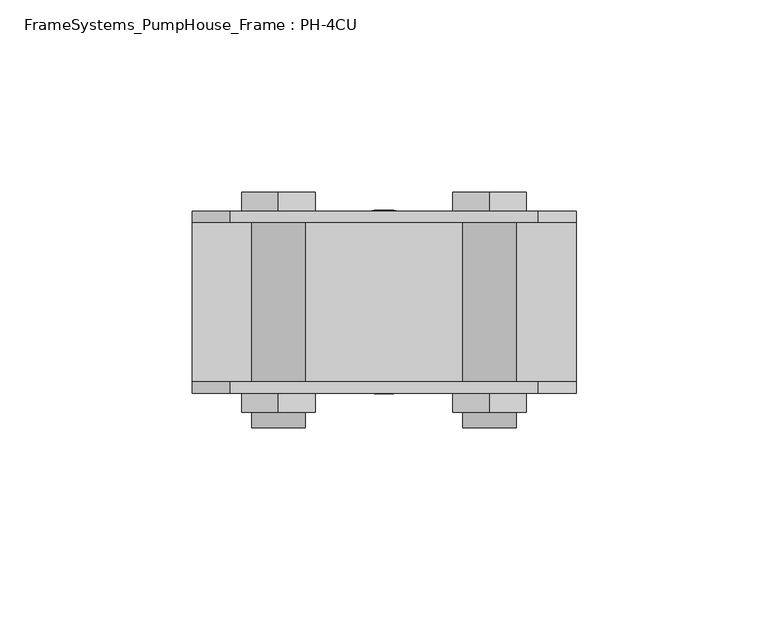
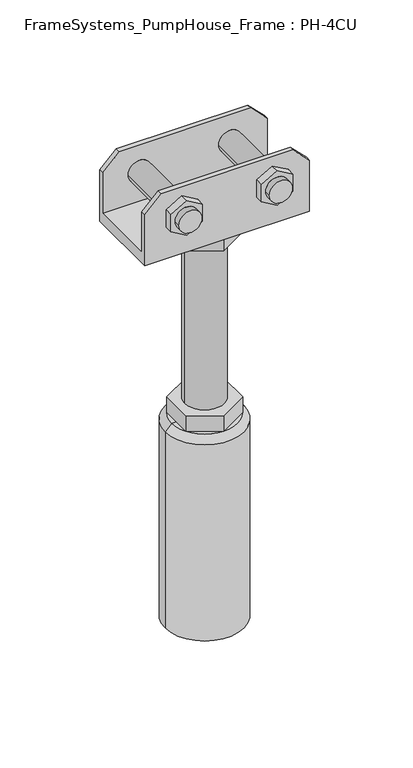
"""IFC4 building model written with IfcOpenShell, lengths in millimetres: beam geometry, FrameSystems_PumpHouse_Frame : PH-4CU."""

from ifc_helpers import new_model, si_unit, frame, origin, place, context, project, spatial, polyline, circle_curve, source, transform, mapped, element, save
from ifc_brep_helpers import plane_surface, cylinder_surface, revolved_surface, advanced_brep


def framesystems_pumphouse_frame_ph_4cu_35eb7057(model_context):
    return source(origin(), model_context, "Body", "AdvancedBrep", [
        advanced_brep(
        [(1240.0, -20.75, 316.0), (1250.0, -20.75, 306.0), (1250.0, -20.75, 280.0), (1150.0, -20.75, 280.0), (1150.0, -20.75, 306.0), (1160.0, -20.75, 316.0), (1234.5, -20.75, 299.0), (1220.5, -20.75, 299.0), (1179.5, -20.75, 299.0), (1165.5, -20.75, 299.0), (1240.0, -23.75, 316.0), (1160.0, -23.75, 316.0), (1150.0, -23.75, 306.0), (1150.0, -23.75, 273.0), (1250.0, -23.75, 273.0), (1250.0, -23.75, 306.0), (1217.9194511, -23.75, 293.4686675), (1217.9194511, -23.75, 304.5313325), (1227.5, -23.75, 310.062665), (1237.0805489, -23.75, 304.5313325), (1237.0805489, -23.75, 293.4686675), (1227.5, -23.75, 287.937335), (1162.9194511, -23.75, 293.4686675), (1162.9194511, -23.75, 304.5313325), (1172.5, -23.75, 310.062665), (1182.0805489, -23.75, 304.5313325), (1182.0805489, -23.75, 293.4686675), (1172.5, -23.75, 287.937335), (1240.0, 23.653247, 316.0), (1250.0, 23.653247, 306.0), (1250.0, 23.653247, 273.0), (1150.0, 23.653247, 273.0), (1150.0, 23.653247, 306.0), (1160.0, 23.653247, 316.0), (1237.0805489, 23.653247, 304.5313325), (1227.5, 23.653247, 310.062665), (1217.9194511, 23.653247, 304.5313325), (1217.9194511, 23.653247, 293.4686675), (1227.5, 23.653247, 287.937335), (1237.0805489, 23.653247, 293.4686675), (1182.0805489, 23.653247, 304.5313325), (1172.5, 23.653247, 310.062665), (1162.9194511, 23.653247, 304.5313325), (1162.9194511, 23.653247, 293.4686675), (1172.5, 23.653247, 287.937335), (1182.0805489, 23.653247, 293.4686675), (1150.0, 20.75, 280.0), (1150.0, 20.75, 306.0), (1250.0, 20.75, 280.0), (1250.0, 20.75, 306.0), (1240.0, 20.75, 316.0), (1160.0, 20.75, 316.0), (1220.5, 20.75, 299.0), (1234.5, 20.75, 299.0), (1165.5, 20.75, 299.0), (1179.5, 20.75, 299.0), (1182.6794919, 10.0, 273.0), (1182.6794919, -10.0, 273.0), (1200.0, -20.0, 273.0), (1217.3205081, -10.0, 273.0), (1217.3205081, 10.0, 273.0), (1200.0, 20.0, 273.0), (1220.5, -32.6948906, 299.0), (1234.5, -32.6948906, 299.0), (1165.5, -32.6948906, 299.0), (1179.5, -32.6948906, 299.0), (1234.5, -28.75, 299.0), (1220.5, -28.75, 299.0), (1179.5, -28.75, 299.0), (1165.5, -28.75, 299.0), (1227.5, 28.653247, 310.062665), (1237.0805489, 28.653247, 304.5313325), (1237.0805489, 28.653247, 293.4686675), (1227.5, 28.653247, 287.937335), (1217.9194511, 28.653247, 293.4686675), (1217.9194511, 28.653247, 304.5313325), (1172.5, 28.653247, 310.062665), (1182.0805489, 28.653247, 304.5313325), (1182.0805489, 28.653247, 293.4686675), (1172.5, 28.653247, 287.937335), (1162.9194511, 28.653247, 293.4686675), (1162.9194511, 28.653247, 304.5313325), (1188.0, 0.0, 263.0), (1188.0, 0.0, 157.0), (1212.0, 0.0, 157.0), (1212.0, 0.0, 263.0), (1182.6794919, 10.0, 263.0), (1200.0, 20.0, 263.0), (1217.3205081, 10.0, 263.0), (1217.3205081, -10.0, 263.0), (1200.0, -20.0, 263.0), (1182.6794919, -10.0, 263.0), (1182.6794919, 10.0, 157.0), (1182.6794919, -10.0, 157.0), (1200.0, -20.0, 157.0), (1217.3205081, -10.0, 157.0), (1217.3205081, 10.0, 157.0), (1200.0, 20.0, 157.0), (1182.6794919, 10.0, 147.0), (1182.6794919, 0.0, 147.0), (1182.6794919, -10.0, 147.0), (1200.0, -20.0, 147.0), (1217.3205081, -10.0, 147.0), (1217.3205081, 0.0, 147.0), (1217.3205081, 10.0, 147.0), (1200.0, 20.0, 147.0), (1180.0, 0.0, 147.0), (1220.0, 0.0, 147.0), (1224.0, 0.0, 143.0), (1176.0, 0.0, 143.0), (1224.0, 0.0, 17.0), (1176.0, 0.0, 17.0), (1200.0, 0.0, 17.0), (1217.9194511, -28.75, 304.5313325), (1217.9194511, -28.75, 293.4686675), (1227.5, -28.75, 287.937335), (1237.0805489, -28.75, 293.4686675), (1237.0805489, -28.75, 304.5313325), (1227.5, -28.75, 310.062665), (1162.9194511, -28.75, 304.5313325), (1162.9194511, -28.75, 293.4686675), (1172.5, -28.75, 287.937335), (1182.0805489, -28.75, 293.4686675), (1182.0805489, -28.75, 304.5313325), (1172.5, -28.75, 310.062665)],
        [
            (0, 1),
            (1, 2),
            (2, 3),
            (3, 4),
            (4, 5),
            (5, 0),
            (6, 7, circle_curve(frame((1227.5, -20.75, 299.0), z_axis=(0.0, -1.0, 0.0), x_axis=(-1.0, 0.0, 0.0)), 7.0)),
            (7, 6, circle_curve(frame((1227.5, -20.75, 299.0), z_axis=(0.0, -1.0, 0.0), x_axis=(-1.0, 0.0, 0.0)), 7.0)),
            (8, 9, circle_curve(frame((1172.5, -20.75, 299.0), z_axis=(0.0, -1.0, 0.0), x_axis=(-1.0, 0.0, 0.0)), 7.0)),
            (9, 8, circle_curve(frame((1172.5, -20.75, 299.0), z_axis=(0.0, -1.0, 0.0), x_axis=(-1.0, 0.0, 0.0)), 7.0)),
            (10, 11),
            (11, 12),
            (12, 13),
            (13, 14),
            (14, 15),
            (15, 10),
            (16, 17),
            (17, 18),
            (18, 19),
            (19, 20),
            (20, 21),
            (21, 16),
            (22, 23),
            (23, 24),
            (24, 25),
            (25, 26),
            (26, 27),
            (27, 22),
            (5, 11),
            (10, 0),
            (4, 12),
            (15, 1),
            (28, 29),
            (29, 30),
            (30, 31),
            (31, 32),
            (32, 33),
            (33, 28),
            (34, 35),
            (35, 36),
            (36, 37),
            (37, 38),
            (38, 39),
            (39, 34),
            (40, 41),
            (41, 42),
            (42, 43),
            (43, 44),
            (44, 45),
            (45, 40),
            (46, 47),
            (47, 32),
            (31, 13),
            (3, 46),
            (46, 48),
            (48, 49),
            (49, 50),
            (50, 51),
            (51, 47),
            (52, 53, circle_curve(frame((1227.5, 20.75, 299.0), z_axis=(0.0, 1.0, 0.0), x_axis=(-1.0, 0.0, 0.0)), 7.0)),
            (53, 52, circle_curve(frame((1227.5, 20.75, 299.0), z_axis=(0.0, 1.0, 0.0), x_axis=(-1.0, 0.0, 0.0)), 7.0)),
            (54, 55, circle_curve(frame((1172.5, 20.75, 299.0), z_axis=(0.0, 1.0, 0.0), x_axis=(-1.0, 0.0, 0.0)), 7.0)),
            (55, 54, circle_curve(frame((1172.5, 20.75, 299.0), z_axis=(0.0, 1.0, 0.0), x_axis=(-1.0, 0.0, 0.0)), 7.0)),
            (48, 2),
            (14, 30),
            (29, 49),
            (50, 28),
            (33, 51),
            (56, 57),
            (57, 58),
            (58, 59),
            (59, 60),
            (60, 61),
            (61, 56),
            (62, 63, circle_curve(frame((1227.5, -32.6948906, 299.0), z_axis=(0.0, -1.0, 0.0), x_axis=(-1.0, 0.0, 0.0)), 7.0)),
            (63, 62, circle_curve(frame((1227.5, -32.6948906, 299.0), z_axis=(0.0, -1.0, 0.0), x_axis=(-1.0, 0.0, 0.0)), 7.0)),
            (64, 65, circle_curve(frame((1172.5, -32.6948906, 299.0), z_axis=(0.0, -1.0, 0.0), x_axis=(-1.0, 0.0, 0.0)), 7.0)),
            (65, 64, circle_curve(frame((1172.5, -32.6948906, 299.0), z_axis=(0.0, -1.0, 0.0), x_axis=(-1.0, 0.0, 0.0)), 7.0)),
            (63, 66),
            (66, 67, circle_curve(frame((1227.5, -28.75, 299.0), z_axis=(0.0, -1.0, 0.0), x_axis=(-1.0, 0.0, 0.0)), 7.0)),
            (67, 62),
            (6, 53),
            (52, 7),
            (67, 66, circle_curve(frame((1227.5, -28.75, 299.0), z_axis=(0.0, -1.0, 0.0), x_axis=(-1.0, 0.0, 0.0)), 7.0)),
            (65, 68),
            (68, 69, circle_curve(frame((1172.5, -28.75, 299.0), z_axis=(0.0, -1.0, 0.0), x_axis=(-1.0, 0.0, 0.0)), 7.0)),
            (69, 64),
            (8, 55),
            (54, 9),
            (69, 68, circle_curve(frame((1172.5, -28.75, 299.0), z_axis=(0.0, -1.0, 0.0), x_axis=(-1.0, 0.0, 0.0)), 7.0)),
            (70, 71),
            (71, 72),
            (72, 73),
            (73, 74),
            (74, 75),
            (75, 70),
            (76, 77),
            (77, 78),
            (78, 79),
            (79, 80),
            (80, 81),
            (81, 76),
            (70, 35),
            (34, 71),
            (39, 72),
            (38, 73),
            (37, 74),
            (36, 75),
            (76, 41),
            (40, 77),
            (45, 78),
            (44, 79),
            (43, 80),
            (42, 81),
            (82, 83),
            (83, 84, circle_curve(frame((1200.0, 0.0, 157.0), z_axis=(0.0, 0.0, 1.0), x_axis=(1.0, 0.0, 0.0)), 12.0)),
            (84, 85),
            (85, 82, circle_curve(frame((1200.0, 0.0, 263.0), z_axis=(0.0, 0.0, -1.0), x_axis=(1.0, 0.0, 0.0)), 12.0)),
            (82, 85, circle_curve(frame((1200.0, 0.0, 263.0), z_axis=(0.0, 0.0, -1.0), x_axis=(1.0, 0.0, 0.0)), 12.0)),
            (84, 83, circle_curve(frame((1200.0, 0.0, 157.0), z_axis=(0.0, 0.0, 1.0), x_axis=(1.0, 0.0, 0.0)), 12.0)),
            (86, 87),
            (87, 88),
            (88, 89),
            (89, 90),
            (90, 91),
            (91, 86),
            (91, 57),
            (56, 86),
            (90, 58),
            (89, 59),
            (88, 60),
            (87, 61),
            (92, 93),
            (93, 94),
            (94, 95),
            (95, 96),
            (96, 97),
            (97, 92),
            (92, 98),
            (98, 99),
            (99, 100),
            (100, 93),
            (100, 101),
            (101, 94),
            (101, 102),
            (102, 95),
            (102, 103),
            (103, 104),
            (104, 96),
            (104, 105),
            (105, 97),
            (105, 98),
            (98, 106, circle_curve(frame((1200.0, 0.0, 147.0), z_axis=(0.0, 0.0, 1.0), x_axis=(-1.0, 0.0, 0.0)), 20.0)),
            (106, 99),
            (105, 98, circle_curve(frame((1200.0, 0.0, 147.0), z_axis=(0.0, 0.0, 1.0), x_axis=(-1.0, 0.0, 0.0)), 20.0)),
            (104, 105, circle_curve(frame((1200.0, 0.0, 147.0), z_axis=(0.0, 0.0, 1.0), x_axis=(-1.0, 0.0, 0.0)), 20.0)),
            (107, 104, circle_curve(frame((1200.0, 0.0, 147.0), z_axis=(0.0, 0.0, 1.0), x_axis=(-1.0, 0.0, 0.0)), 20.0)),
            (103, 107),
            (102, 107, circle_curve(frame((1200.0, 0.0, 147.0), z_axis=(0.0, 0.0, 1.0), x_axis=(-1.0, 0.0, 0.0)), 20.0)),
            (101, 102, circle_curve(frame((1200.0, 0.0, 147.0), z_axis=(0.0, 0.0, 1.0), x_axis=(-1.0, 0.0, 0.0)), 20.0)),
            (100, 101, circle_curve(frame((1200.0, 0.0, 147.0), z_axis=(0.0, 0.0, 1.0), x_axis=(-1.0, 0.0, 0.0)), 20.0)),
            (106, 100, circle_curve(frame((1200.0, 0.0, 147.0), z_axis=(0.0, 0.0, 1.0), x_axis=(-1.0, 0.0, 0.0)), 20.0)),
            (108, 109, circle_curve(frame((1200.0, 0.0, 143.0), z_axis=(0.0, 0.0, 1.0), x_axis=(-1.0, 0.0, 0.0)), 24.0)),
            (109, 106),
            (107, 108),
            (109, 108, circle_curve(frame((1200.0, 0.0, 143.0), z_axis=(0.0, 0.0, 1.0), x_axis=(-1.0, 0.0, 0.0)), 24.0)),
            (108, 110),
            (110, 111, circle_curve(frame((1200.0, 0.0, 17.0), z_axis=(0.0, 0.0, 1.0), x_axis=(-1.0, 0.0, 0.0)), 24.0)),
            (111, 109),
            (111, 110, circle_curve(frame((1200.0, 0.0, 17.0), z_axis=(0.0, 0.0, 1.0), x_axis=(-1.0, 0.0, 0.0)), 24.0)),
            (110, 112),
            (112, 111),
            (113, 114),
            (114, 115),
            (115, 116),
            (116, 117),
            (117, 118),
            (118, 113),
            (113, 17),
            (16, 114),
            (21, 115),
            (20, 116),
            (19, 117),
            (18, 118),
            (119, 120),
            (120, 121),
            (121, 122),
            (122, 123),
            (123, 124),
            (124, 119),
            (119, 23),
            (22, 120),
            (27, 121),
            (26, 122),
            (25, 123),
            (24, 124),
        ],
        [
            plane_surface(frame((1184.0150941, -20.75, 316.0), z_axis=(0.0, 1.0, 0.0), x_axis=(1.0, 0.0, 0.0))),
            plane_surface(frame((1184.0150941, -23.75, 316.0), z_axis=(0.0, -1.0, 0.0), x_axis=(-1.0, 0.0, 0.0))),
            plane_surface(frame((1240.0, -23.75, 316.0), z_axis=(0.0, 0.0, 1.0), x_axis=(0.0, 1.0, 0.0))),
            plane_surface(frame((1160.0, -23.75, 316.0), z_axis=(-0.7071067811865467, 0.0, 0.7071067811865485), x_axis=(0.0, 1.0, 0.0))),
            plane_surface(frame((1250.0, -23.75, 306.0), z_axis=(0.7071067811865488, 0.0, 0.7071067811865464), x_axis=(0.0, 1.0, 0.0))),
            plane_surface(frame((1250.0, 23.653247, 306.0), z_axis=(0.0, 1.0, 0.0), x_axis=(0.0, 0.0, -1.0))),
            plane_surface(frame((1150.0, 23.653247, 306.0), z_axis=(-1.0, 0.0, 0.0), x_axis=(0.0, 0.0, -1.0))),
            plane_surface(frame((1150.0, 20.75, 306.0), z_axis=(0.0, -1.0, 0.0), x_axis=(0.0, 0.0, -1.0))),
            plane_surface(frame((1250.0, 20.75, 306.0), z_axis=(1.0, 0.0, 0.0), x_axis=(0.0, 0.0, -1.0))),
            plane_surface(frame((1160.0, 23.75, 316.0), z_axis=(0.0, 0.0, 1.0), x_axis=(0.0, -1.0, 0.0))),
            plane_surface(frame((1150.0, 23.75, 306.0), z_axis=(-0.7071067811865467, 0.0, 0.7071067811865485), x_axis=(0.0, -1.0, 0.0))),
            plane_surface(frame((1240.0, 23.75, 316.0), z_axis=(0.7071067811865493, 0.0, 0.7071067811865457), x_axis=(0.0, -1.0, 0.0))),
            plane_surface(frame((1200.0, 23.75, 280.0), z_axis=(0.0, 0.0, 1.0), x_axis=(-1.0, 0.0, 0.0))),
            plane_surface(frame((1200.0, 23.75, 273.0), z_axis=(0.0, 0.0, -1.0), x_axis=(1.0, 0.0, 0.0))),
            plane_surface(frame((1220.5, -32.6948906, 299.0), z_axis=(0.0, -1.0, 0.0), x_axis=(0.0, 0.0, -1.0))),
            cylinder_surface(frame((1227.5, -32.6948906, 299.0), z_axis=(0.0, 1.0, 0.0), x_axis=(-1.0, 0.0, 0.0)), 7.0),
            cylinder_surface(frame((1172.5, 23.653247, 299.0), z_axis=(0.0, 1.0, 0.0), x_axis=(-1.0, 0.0, 0.0)), 7.0),
            plane_surface(frame((1227.5, 28.653247, 310.062665), z_axis=(0.0, 1.0000000000000002, 0.0), x_axis=(0.8660254037844375, 0.0, -0.5000000000000022))),
            plane_surface(frame((1227.5, 28.653247, 310.062665), z_axis=(0.5000000000000022, 0.0, 0.8660254037844375), x_axis=(0.0, -1.0, 0.0))),
            plane_surface(frame((1237.0805489, 28.653247, 304.5313325), z_axis=(1.0, 0.0, 0.0), x_axis=(0.0, -1.0, 0.0))),
            plane_surface(frame((1237.0805489, 28.653247, 293.4686675), z_axis=(0.4999999999999969, 0.0, -0.8660254037844405), x_axis=(0.0, -1.0, 0.0))),
            plane_surface(frame((1227.5, 28.653247, 287.937335), z_axis=(-0.5000000000000034, 0.0, -0.8660254037844367), x_axis=(0.0, -1.0, 0.0))),
            plane_surface(frame((1217.9194511, 28.653247, 293.4686675), z_axis=(-1.0, 0.0, 0.0), x_axis=(0.0, -1.0, 0.0))),
            plane_surface(frame((1217.9194511, 28.653247, 304.5313325), z_axis=(-0.49999999999999684, 0.0, 0.8660254037844405), x_axis=(0.0, -1.0, 0.0))),
            plane_surface(frame((1172.5, 28.653247, 310.062665), z_axis=(0.5000000000000023, 0.0, 0.8660254037844374), x_axis=(0.0, -1.0, 0.0))),
            plane_surface(frame((1182.0805489, 28.653247, 304.5313325), z_axis=(1.0, 0.0, 0.0), x_axis=(0.0, -1.0, 0.0))),
            plane_surface(frame((1182.0805489, 28.653247, 293.4686675), z_axis=(0.4999999999999969, 0.0, -0.8660254037844405), x_axis=(0.0, -1.0, 0.0))),
            plane_surface(frame((1172.5, 28.653247, 287.937335), z_axis=(-0.5000000000000033, 0.0, -0.8660254037844368), x_axis=(0.0, -1.0, 0.0))),
            plane_surface(frame((1162.9194511, 28.653247, 293.4686675), z_axis=(-1.0, 0.0, 0.0), x_axis=(0.0, -1.0, 0.0))),
            plane_surface(frame((1162.9194511, 28.653247, 304.5313325), z_axis=(-0.4999999999999967, 0.0, 0.8660254037844405), x_axis=(0.0, -1.0, 0.0))),
            cylinder_surface(frame((1200.0, 0.0, 157.0), z_axis=(0.0, 0.0, 1.0), x_axis=(1.0, 0.0, 0.0)), 12.0),
            plane_surface(frame((1182.6794919, 10.0, 263.0), z_axis=(0.0, 0.0, -1.0), x_axis=(0.0, 1.0, 0.0))),
            plane_surface(frame((1182.6794919, 10.0, 273.0), z_axis=(-1.0, 0.0, 0.0), x_axis=(0.0, 0.0, -1.0))),
            plane_surface(frame((1182.6794919, -10.0, 273.0), z_axis=(-0.5000000000000034, -0.8660254037844367, 0.0), x_axis=(0.0, 0.0, -1.0))),
            plane_surface(frame((1200.0, -20.0, 273.0), z_axis=(0.4999999999999958, -0.8660254037844412, 0.0), x_axis=(0.0, 0.0, -1.0))),
            plane_surface(frame((1217.3205081, -10.0, 273.0), z_axis=(1.0, 0.0, 0.0), x_axis=(0.0, 0.0, -1.0))),
            plane_surface(frame((1217.3205081, 10.0, 273.0), z_axis=(0.5000000000000064, 0.866025403784435, 0.0), x_axis=(0.0, 0.0, -1.0))),
            plane_surface(frame((1200.0, 20.0, 273.0), z_axis=(-0.4999999999999984, 0.8660254037844396, 0.0), x_axis=(0.0, 0.0, -1.0))),
            plane_surface(frame((1182.6794919, 10.0, 157.0), z_axis=(0.0, 0.0, 1.0), x_axis=(0.0, -1.0, 0.0))),
            plane_surface(frame((1182.6794919, 10.0, 157.0), z_axis=(-1.0, 0.0, 0.0), x_axis=(0.0, 0.0, -1.0))),
            plane_surface(frame((1182.6794919, -10.0, 157.0), z_axis=(-0.5000000000000034, -0.8660254037844367, 0.0), x_axis=(0.0, 0.0, -1.0))),
            plane_surface(frame((1200.0, -20.0, 157.0), z_axis=(0.49999999999999545, -0.8660254037844413, 0.0), x_axis=(0.0, 0.0, -1.0))),
            plane_surface(frame((1217.3205081, -10.0, 157.0), z_axis=(1.0, 0.0, 0.0), x_axis=(0.0, 0.0, -1.0))),
            plane_surface(frame((1217.3205081, 10.0, 157.0), z_axis=(0.5000000000000064, 0.866025403784435, 0.0), x_axis=(0.0, 0.0, -1.0))),
            plane_surface(frame((1200.0, 20.0, 157.0), z_axis=(-0.49999999999999845, 0.8660254037844396, 0.0), x_axis=(0.0, 0.0, -1.0))),
            plane_surface(frame((1200.0, 0.0, 147.0), z_axis=(0.0, 0.0, 1.0), x_axis=(-1.0, 0.0, 0.0))),
            revolved_surface(polyline([(1180.0, 0.0, 147.0), (1176.0, 0.0, 143.0)]), (1200.0, 0.0, 172.0), (0.0, 0.0, -1.0)),
            cylinder_surface(frame((1200.0, 0.0, 172.0), z_axis=(0.0, 0.0, -1.0), x_axis=(-1.0, 0.0, 0.0)), 24.0),
            plane_surface(frame((1200.0, 0.0, 17.0), z_axis=(0.0, 0.0, -1.0), x_axis=(-1.0, 0.0, 0.0))),
            plane_surface(frame((1217.9194511, -28.75, 304.5313325), z_axis=(0.0, -1.0, 0.0), x_axis=(0.0, 0.0, -1.0))),
            plane_surface(frame((1217.9194511, -28.75, 304.5313325), z_axis=(-1.0, 0.0, 0.0), x_axis=(0.0, 1.0, 0.0))),
            plane_surface(frame((1217.9194511, -28.75, 293.4686675), z_axis=(-0.500000000000003, 0.0, -0.866025403784437), x_axis=(0.0, 1.0, 0.0))),
            plane_surface(frame((1227.5, -28.75, 287.937335), z_axis=(0.4999999999999972, 0.0, -0.8660254037844403), x_axis=(0.0, 1.0, 0.0))),
            plane_surface(frame((1237.0805489, -28.75, 293.4686675), z_axis=(1.0, 0.0, 0.0), x_axis=(0.0, 1.0, 0.0))),
            plane_surface(frame((1237.0805489, -28.75, 304.5313325), z_axis=(0.500000000000003, 0.0, 0.8660254037844369), x_axis=(0.0, 1.0, 0.0))),
            plane_surface(frame((1227.5, -28.75, 310.062665), z_axis=(-0.49999999999999617, 0.0, 0.8660254037844409), x_axis=(0.0, 1.0, 0.0))),
            plane_surface(frame((1162.9194511, -28.75, 304.5313325), z_axis=(0.0, -1.0, 0.0), x_axis=(0.0, 0.0, -1.0))),
            plane_surface(frame((1162.9194511, -28.75, 304.5313325), z_axis=(-1.0, 0.0, 0.0), x_axis=(0.0, 1.0, 0.0))),
            plane_surface(frame((1162.9194511, -28.75, 293.4686675), z_axis=(-0.5000000000000031, 0.0, -0.8660254037844368), x_axis=(0.0, 1.0, 0.0))),
            plane_surface(frame((1172.5, -28.75, 287.937335), z_axis=(0.49999999999999717, 0.0, -0.8660254037844404), x_axis=(0.0, 1.0, 0.0))),
            plane_surface(frame((1182.0805489, -28.75, 293.4686675), z_axis=(1.0, 0.0, 0.0), x_axis=(0.0, 1.0, 0.0))),
            plane_surface(frame((1182.0805489, -28.75, 304.5313325), z_axis=(0.500000000000003, 0.0, 0.8660254037844369), x_axis=(0.0, 1.0, 0.0))),
            plane_surface(frame((1172.5, -28.75, 310.062665), z_axis=(-0.4999999999999963, 0.0, 0.8660254037844408), x_axis=(0.0, 1.0, 0.0))),
        ],
        [
            (0, [[1, 2, 3, 4, 5, 6], [7, 8], [9, 10]]),
            (1, [[11, 12, 13, 14, 15, 16], [17, 18, 19, 20, 21, 22], [23, 24, 25, 26, 27, 28]]),
            (2, [[-6, 29, -11, 30]]),
            (3, [[-5, 31, -12, -29]]),
            (4, [[-1, -30, -16, 32]]),
            (5, [[33, 34, 35, 36, 37, 38], [39, 40, 41, 42, 43, 44], [45, 46, 47, 48, 49, 50]]),
            (6, [[51, 52, -36, 53, -13, -31, -4, 54]]),
            (7, [[-51, 55, 56, 57, 58, 59], [60, 61], [62, 63]]),
            (8, [[-56, 64, -2, -32, -15, 65, -34, 66]]),
            (9, [[-58, 67, -38, 68]]),
            (10, [[-59, -68, -37, -52]]),
            (11, [[-57, -66, -33, -67]]),
            (12, [[-64, -55, -54, -3]]),
            (13, [[-65, -14, -53, -35], [69, 70, 71, 72, 73, 74]]),
            (14, [[75, 76]]),
            (14, [[77, 78]]),
            (15, [[-76, 79, 80, 81]]),
            (15, [[82, -60, 83, -7]]),
            (15, [[-75, -81, 84, -79]]),
            (15, [[-82, -8, -83, -61]]),
            (16, [[-78, 85, 86, 87]]),
            (16, [[88, -62, 89, -9]]),
            (16, [[-77, -87, 90, -85]]),
            (16, [[-88, -10, -89, -63]]),
            (17, [[91, 92, 93, 94, 95, 96]]),
            (17, [[97, 98, 99, 100, 101, 102]]),
            (18, [[-91, 103, -39, 104]]),
            (19, [[-92, -104, -44, 105]]),
            (20, [[-93, -105, -43, 106]]),
            (21, [[-94, -106, -42, 107]]),
            (22, [[-95, -107, -41, 108]]),
            (23, [[-96, -108, -40, -103]]),
            (24, [[-97, 109, -45, 110]]),
            (25, [[-98, -110, -50, 111]]),
            (26, [[-99, -111, -49, 112]]),
            (27, [[-100, -112, -48, 113]]),
            (28, [[-101, -113, -47, 114]]),
            (29, [[-102, -114, -46, -109]]),
            (30, [[115, 116, 117, 118]]),
            (30, [[-115, 119, -117, 120]]),
            (31, [[121, 122, 123, 124, 125, 126], [-118, -119]]),
            (32, [[-126, 127, -69, 128]]),
            (33, [[-125, 129, -70, -127]]),
            (34, [[-124, 130, -71, -129]]),
            (35, [[-123, 131, -72, -130]]),
            (36, [[-122, 132, -73, -131]]),
            (37, [[-121, -128, -74, -132]]),
            (38, [[133, 134, 135, 136, 137, 138], [-116, -120]]),
            (39, [[-133, 139, 140, 141, 142]]),
            (40, [[-134, -142, 143, 144]]),
            (41, [[-135, -144, 145, 146]]),
            (42, [[-136, -146, 147, 148, 149]]),
            (43, [[-137, -149, 150, 151]]),
            (44, [[-138, -151, 152, -139]]),
            (45, [[153, 154, -140]]),
            (45, [[155, -152]]),
            (45, [[156, -150]]),
            (45, [[157, -148, 158]]),
            (45, [[159, -158, -147]]),
            (45, [[160, -145]]),
            (45, [[161, -143]]),
            (45, [[162, -141, -154]]),
            (46, [[163, 164, -153, -155, -156, -157, 165]]),
            (46, [[-164, 166, -165, -159, -160, -161, -162]]),
            (47, [[-163, 167, 168, 169]]),
            (47, [[-166, -169, 170, -167]]),
            (48, [[-168, 171, 172]]),
            (48, [[-170, -172, -171]]),
            (49, [[173, 174, 175, 176, 177, 178], [-80, -84]]),
            (50, [[-173, 179, -17, 180]]),
            (51, [[-174, -180, -22, 181]]),
            (52, [[-175, -181, -21, 182]]),
            (53, [[-176, -182, -20, 183]]),
            (54, [[-177, -183, -19, 184]]),
            (55, [[-178, -184, -18, -179]]),
            (56, [[185, 186, 187, 188, 189, 190], [-86, -90]]),
            (57, [[-185, 191, -23, 192]]),
            (58, [[-186, -192, -28, 193]]),
            (59, [[-187, -193, -27, 194]]),
            (60, [[-188, -194, -26, 195]]),
            (61, [[-189, -195, -25, 196]]),
            (62, [[-190, -196, -24, -191]]),
        ],
    ),
    ])


if __name__ == "__main__":
    model = new_model("IFC4")
    model_context = context("Model", 3, world=origin())
    ifc_project = project(units=[si_unit("LENGTHUNIT", "METRE", prefix="MILLI")], contexts=[model_context])
    site = spatial("IfcSite", under=ifc_project)
    building = spatial("IfcBuilding", under=site)
    placement = place(None, origin())
    framesystems_pumphouse_frame_ph_4cu_shape = framesystems_pumphouse_frame_ph_4cu_35eb7057(model_context)
    element("IfcBeam", 1, ObjectType="FrameSystems_PumpHouse_Frame : PH-4CU", at=placement, inside=building, context=model_context, shape_type="MappedRepresentation", body=[
        mapped(framesystems_pumphouse_frame_ph_4cu_shape, transform((0.0, 0.0, 0.0), x_axis=(1.0, 0.0, 0.0), y_axis=(0.0, 1.0, 0.0), z_axis=(0.0, 0.0, 1.0))),
    ])
    save(model, "model.ifc")
